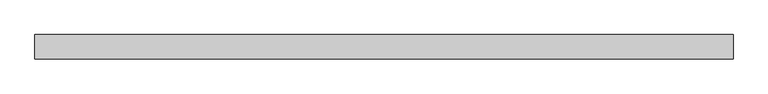
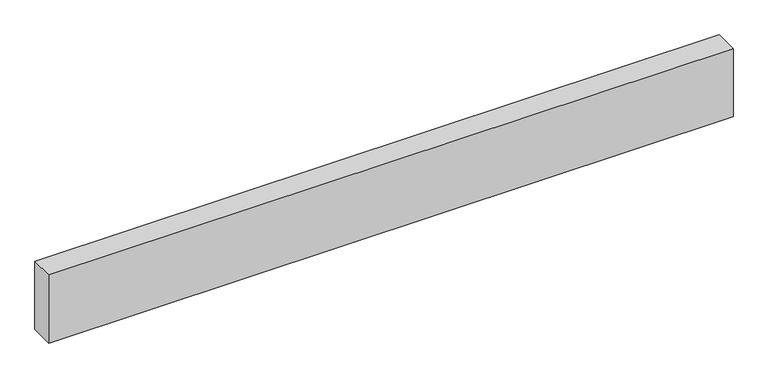
"""IFC4 building model written with IfcOpenShell, lengths in millimetres: proxy geometry."""

from ifc_helpers import new_model, si_unit, origin, origin_with_axes, place, context, project, spatial, polyline, outline, extrude, source, transform, mapped, element, save


def generic_models_d71f84c6(model_context):
    return source(origin(), model_context, "Body", "SweptSolid", [
        extrude(outline(polyline([(2846.3275905, 0.0), (2846.3275905, -100.0), (0.0, -100.0), (0.0, 0.0), (2846.3275905, 0.0)])), origin_with_axes(), (0.0, 0.0, 1.0), 300.0),
    ])


if __name__ == "__main__":
    model = new_model("IFC4")
    model_context = context("Model", 3, world=origin())
    ifc_project = project(units=[si_unit("LENGTHUNIT", "METRE", prefix="MILLI")], contexts=[model_context])
    site = spatial("IfcSite", under=ifc_project)
    building = spatial("IfcBuilding", under=site)
    placement = place(None, origin())
    generic_models_shape = generic_models_d71f84c6(model_context)
    element("IfcBuildingElementProxy", 1, Name="Generic Models", at=placement, inside=building, context=model_context, shape_type="MappedRepresentation", body=[
        mapped(generic_models_shape, transform((0.0, 0.0, 0.0), x_axis=(1.0, 0.0, 0.0), y_axis=(0.0, 1.0, 0.0), z_axis=(0.0, 0.0, 1.0))),
    ])
    save(model, "model.ifc")
